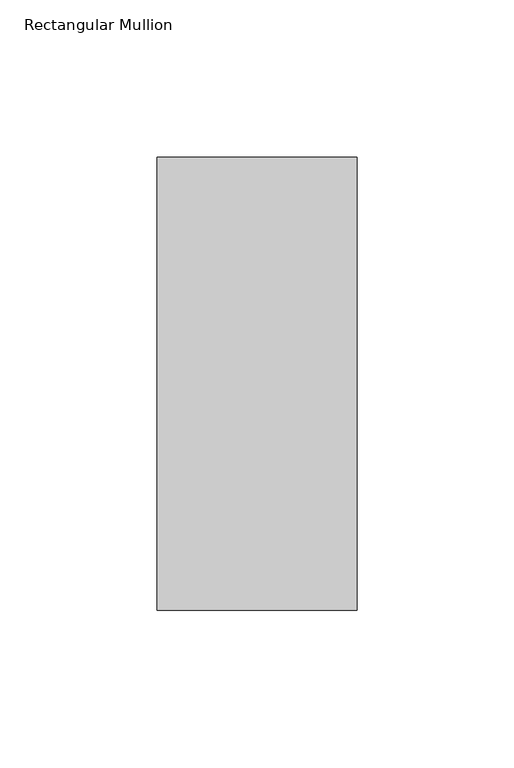
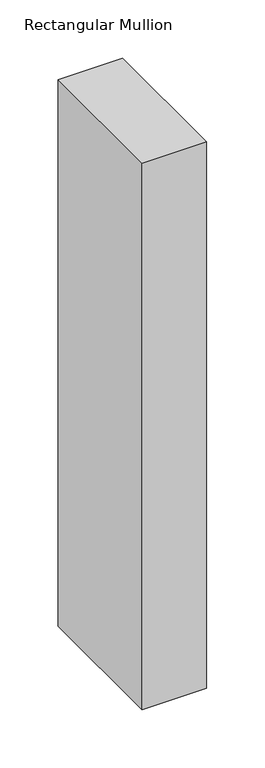
"""IFC4 building model written with IfcOpenShell, lengths in millimetres: member geometry, Rectangular Mullion."""

from ifc_helpers import new_model, si_unit, frame, origin, place, context, project, spatial, polyline, outline, extrude, source, transform, mapped, element, save


def rectangular_mullion_88fe5d54(model_context):
    return source(origin(), model_context, "Body", "SweptSolid", [
        extrude(outline(polyline([(-63.4999996, 190.7881312), (4e-07, 190.7881312), (4e-07, 46.7447302), (-63.4999996, 46.7447302), (-63.4999996, 190.7881312)])), frame((0.0, 0.0, -571.3023047), z_axis=(0.0, 0.0, 1.0), x_axis=(1.0, 0.0, 0.0)), (0.0, 0.0, 1.0), 571.3023047),
    ])


if __name__ == "__main__":
    model = new_model("IFC4")
    model_context = context("Model", 3, world=origin())
    ifc_project = project(units=[si_unit("LENGTHUNIT", "METRE", prefix="MILLI")], contexts=[model_context])
    site = spatial("IfcSite", under=ifc_project)
    building = spatial("IfcBuilding", under=site)
    placement = place(None, origin())
    rectangular_mullion_shape = rectangular_mullion_88fe5d54(model_context)
    element("IfcMember", 1, ObjectType="Rectangular Mullion", at=placement, inside=building, context=model_context, shape_type="MappedRepresentation", body=[
        mapped(rectangular_mullion_shape, transform((0.0, 0.0, 0.0), x_axis=(1.0, 0.0, 0.0), y_axis=(0.0, 1.0, 0.0), z_axis=(0.0, 0.0, 1.0))),
    ])
    save(model, "model.ifc")
